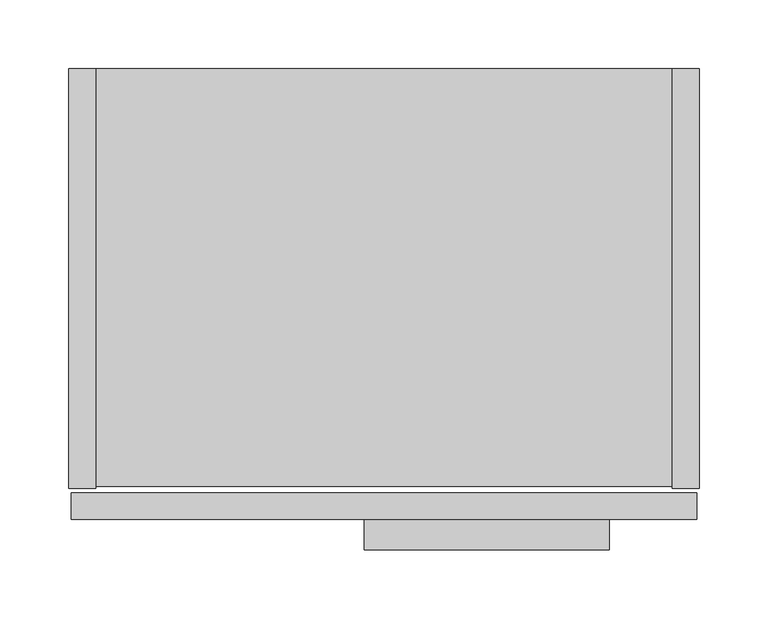
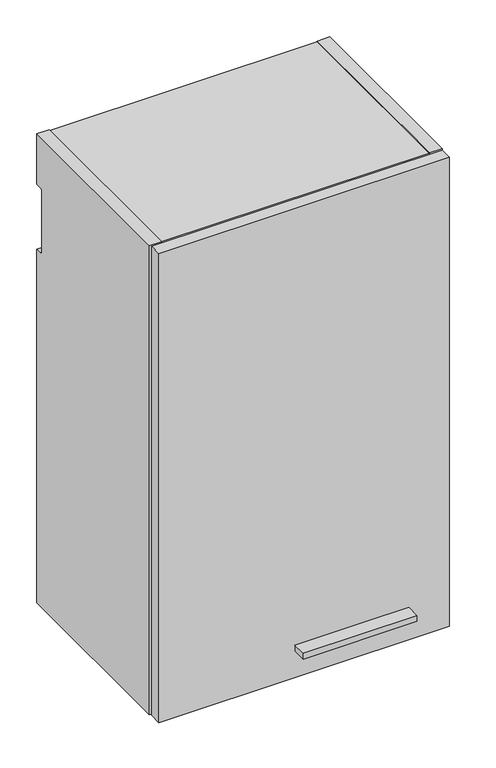
"""IFC4 building model written with IfcOpenShell, lengths in millimetres: furniture geometry."""

from ifc_helpers import new_model, si_unit, point, frame, frame_2d, origin, place, context, project, spatial, polyline, circle_curve, trimmed, segment, composite_curve, outline, extrude, source, transform, mapped, element, save
from ifc_brep_helpers import plane_surface, cylinder_surface, revolved_surface, advanced_brep


def furniture_c66bc719(model_context):
    return source(origin(), model_context, "Body", "SolidModel", [
        advanced_brep(
        [(413.7025, -293.751, 2244.5791484), (410.748813, -293.751, 2244.1909161), (409.8355336, -293.751, 2242.4339969), (409.8053845, -293.751, 2223.3009499), (410.748813, -293.751, 2222.1073808), (413.7025, -293.751, 2221.7191484), (416.656187, -293.751, 2222.1073808), (417.5996155, -293.751, 2223.3009499), (417.5694664, -293.751, 2242.4339969), (416.656187, -293.751, 2244.1909161), (412.9405, -293.751, 2242.5617878), (414.4645, -293.751, 2242.5617878), (414.4645, -293.751, 2239.2712263), (412.9405, -293.751, 2239.2712263), (413.7025, -286.131, 2244.5791484), (413.7025, -286.131, 2221.7191484), (416.656187, -288.3034403, 2244.1909161), (416.656187, -288.3034403, 2222.1073808), (410.748813, -288.3034403, 2222.1073808), (410.748813, -288.3034403, 2244.1909161), (409.8053845, -288.3034403, 2223.3009499), (409.8355336, -288.3034403, 2242.4339969), (417.5996155, -288.3034403, 2223.3009499), (417.5694664, -288.3034403, 2242.4339969), (412.9405, -292.5268699, 2239.2712263), (414.4645, -292.5268699, 2239.2712263), (414.4645, -292.5268699, 2242.5617878), (412.9405, -292.5268699, 2242.5617878)],
        [
            (0, 1, circle_curve(frame((413.7025, -293.751, 2233.1491484), z_axis=(0.0, -1.0, 0.0), x_axis=(0.0, 0.0, -1.0)), 11.43)),
            (1, 2, circle_curve(frame((411.28904, -293.751, 2242.7942665), z_axis=(0.0, -1.0, 0.0), x_axis=(0.0, 0.0, -1.0)), 1.4974896)),
            (2, 3, circle_curve(frame((371.4831576, -293.751, 2232.9278836), z_axis=(0.0, 1.0, 0.0), x_axis=(0.0, 0.0, -1.0)), 39.512921)),
            (3, 4, circle_curve(frame((411.28904, -293.751, 2223.5040303), z_axis=(0.0, -1.0, 0.0), x_axis=(0.0, 0.0, -1.0)), 1.4974896)),
            (4, 5, circle_curve(frame((413.7025, -293.751, 2233.1491484), z_axis=(0.0, -1.0, 0.0), x_axis=(0.0, 0.0, -1.0)), 11.43)),
            (5, 6, circle_curve(frame((413.7025, -293.751, 2233.1491484), z_axis=(0.0, -1.0, 0.0), x_axis=(0.0, 0.0, -1.0)), 11.43)),
            (6, 7, circle_curve(frame((416.11596, -293.751, 2223.5040303), z_axis=(0.0, -1.0, 0.0), x_axis=(0.0, 0.0, -1.0)), 1.4974896)),
            (7, 8, circle_curve(frame((455.9218424, -293.751, 2232.9278836), z_axis=(0.0, 1.0, 0.0), x_axis=(0.0, 0.0, -1.0)), 39.512921)),
            (8, 9, circle_curve(frame((416.11596, -293.751, 2242.7942665), z_axis=(0.0, -1.0, 0.0), x_axis=(0.0, 0.0, -1.0)), 1.4974896)),
            (9, 0, circle_curve(frame((413.7025, -293.751, 2233.1491484), z_axis=(0.0, -1.0, 0.0), x_axis=(0.0, 0.0, -1.0)), 11.43)),
            (10, 11, circle_curve(frame((413.7025, -293.751, 2242.5617878), z_axis=(0.0, 1.0, 0.0), x_axis=(0.0, 0.0, -1.0)), 0.762)),
            (11, 12),
            (12, 13, circle_curve(frame((413.7025, -293.751, 2239.2712263), z_axis=(0.0, 1.0, 0.0), x_axis=(0.0, 0.0, 1.0)), 0.762)),
            (13, 10),
            (14, 15, circle_curve(frame((413.7025, -286.131, 2233.1491484), z_axis=(0.0, 1.0, 0.0), x_axis=(0.0, 0.0, -1.0)), 11.43)),
            (15, 14, circle_curve(frame((413.7025, -286.131, 2233.1491484), z_axis=(0.0, 1.0, 0.0), x_axis=(0.0, 0.0, -1.0)), 11.43)),
            (14, 0),
            (9, 16),
            (16, 17, circle_curve(frame((413.7025, -288.3034403, 2233.1491484), z_axis=(0.0, 1.0, 0.0), x_axis=(0.0, 0.0, -1.0)), 11.43)),
            (17, 6),
            (5, 15),
            (4, 18),
            (18, 19, circle_curve(frame((413.7025, -288.3034403, 2233.1491484), z_axis=(0.0, 1.0, 0.0), x_axis=(0.0, 0.0, -1.0)), 11.43)),
            (19, 1),
            (20, 21, circle_curve(frame((371.4831576, -288.3034403, 2232.9278836), z_axis=(0.0, -1.0, 0.0), x_axis=(0.0, 0.0, -1.0)), 39.512921)),
            (21, 19, circle_curve(frame((411.28904, -288.3034403, 2242.7942665), z_axis=(0.0, 1.0, 0.0), x_axis=(0.0, 0.0, -1.0)), 1.4974896)),
            (18, 20, circle_curve(frame((411.28904, -288.3034403, 2223.5040303), z_axis=(0.0, 1.0, 0.0), x_axis=(0.0, 0.0, -1.0)), 1.4974896)),
            (22, 17, circle_curve(frame((416.11596, -288.3034403, 2223.5040303), z_axis=(0.0, 1.0, 0.0), x_axis=(0.0, 0.0, -1.0)), 1.4974896)),
            (16, 23, circle_curve(frame((416.11596, -288.3034403, 2242.7942665), z_axis=(0.0, 1.0, 0.0), x_axis=(0.0, 0.0, -1.0)), 1.4974896)),
            (23, 22, circle_curve(frame((455.9218424, -288.3034403, 2232.9278836), z_axis=(0.0, -1.0, 0.0), x_axis=(0.0, 0.0, -1.0)), 39.512921)),
            (3, 20),
            (21, 2),
            (23, 8),
            (7, 22),
            (24, 25, circle_curve(frame((413.7025, -292.5268699, 2239.2712263), z_axis=(0.0, -1.0, 0.0), x_axis=(0.0, 0.0, 1.0)), 0.762)),
            (25, 26),
            (26, 27, circle_curve(frame((413.7025, -292.5268699, 2242.5617878), z_axis=(0.0, -1.0, 0.0), x_axis=(0.0, 0.0, -1.0)), 0.762)),
            (27, 24),
            (27, 10),
            (13, 24),
            (26, 11),
            (25, 12),
        ],
        [
            plane_surface(frame((413.7025, -293.751, 2221.7191484), z_axis=(0.0, -1.0, 0.0), x_axis=(-1.0, 0.0, 0.0))),
            plane_surface(frame((413.7025, -286.131, 2221.7191484), z_axis=(0.0, 1.0, 0.0), x_axis=(1.0, 0.0, 0.0))),
            cylinder_surface(frame((413.7025, -286.131, 2233.1491484), z_axis=(0.0, -1.0, 0.0), x_axis=(0.0, 0.0, -1.0)), 11.43),
            plane_surface(frame((411.28904, -288.3034403, 2222.0065407), z_axis=(0.0, -1.0, 0.0), x_axis=(-1.0, 0.0, 0.0))),
            cylinder_surface(frame((411.28904, -288.3034403, 2223.5040303), z_axis=(0.0, 1.0, 0.0), x_axis=(0.0, 0.0, -1.0)), 1.4974896),
            cylinder_surface(frame((411.28904, -288.3034403, 2242.7942665), z_axis=(0.0, 1.0, 0.0), x_axis=(0.0, 0.0, -1.0)), 1.4974896),
            revolved_surface(polyline([(371.4831576, -293.751, 2193.4149626), (371.4831576, -288.3034403, 2193.4149626)]), (371.4831576, -288.3034403, 2232.9278836), (0.0, -1.0, 0.0)),
            revolved_surface(polyline([(455.9218424, -293.751, 2193.4149626), (455.9218424, -288.3034403, 2193.4149626)]), (455.9218424, -276.225, 2232.9278836), (0.0, -1.0, 0.0)),
            cylinder_surface(frame((416.11596, -276.225, 2242.7942665), z_axis=(0.0, 1.0, 0.0), x_axis=(0.0, 0.0, -1.0)), 1.4974896),
            cylinder_surface(frame((416.11596, -276.225, 2223.5040303), z_axis=(0.0, 1.0, 0.0), x_axis=(0.0, 0.0, -1.0)), 1.4974896),
            plane_surface(frame((412.9405, -292.5268699, 2318.3554451), z_axis=(0.0, -1.0, 0.0), x_axis=(0.0, 0.0, -1.0))),
            plane_surface(frame((412.9405, -293.751, 2239.2712263), z_axis=(1.0, 0.0, 0.0), x_axis=(0.0, 1.0, 0.0))),
            revolved_surface(polyline([(413.7025, -293.751, 2241.7997877999996), (413.7025, -292.5268699, 2241.7997877999996)]), (413.7025, -292.5268699, 2242.5617878), (0.0, -1.0, 0.0)),
            plane_surface(frame((414.4645, -293.751, 2242.5617878), z_axis=(-1.0, 0.0, 0.0), x_axis=(0.0, 1.0, 0.0))),
            revolved_surface(polyline([(413.7025, -293.751, 2240.0332263), (413.7025, -292.5268699, 2240.0332263)]), (413.7025, -292.5268699, 2239.2712263), (0.0, -1.0, 0.0)),
        ],
        [
            (0, [[1, 2, 3, 4, 5, 6, 7, 8, 9, 10], [11, 12, 13, 14]]),
            (1, [[15, 16]]),
            (2, [[17, -10, 18, 19, 20, -6, 21, -15]]),
            (2, [[-21, -5, 22, 23, 24, -1, -17, -16]]),
            (3, [[25, 26, -23, 27]]),
            (3, [[28, -19, 29, 30]]),
            (4, [[-22, -4, 31, -27]]),
            (5, [[32, -2, -24, -26]]),
            (6, [[-31, -3, -32, -25]]),
            (7, [[33, -8, 34, -30]]),
            (8, [[-18, -9, -33, -29]]),
            (9, [[-34, -7, -20, -28]]),
            (10, [[35, 36, 37, 38]]),
            (11, [[39, -14, 40, -38]]),
            (12, [[41, -11, -39, -37]]),
            (13, [[42, -12, -41, -36]]),
            (14, [[-40, -13, -42, -35]]),
        ],
    ),
        advanced_brep(
        [(401.0025, -286.131, 2313.7061718), (401.0025, -286.131, 2233.0156), (426.4025, -286.131, 2233.0156), (426.4025, -286.131, 2313.7061718), (425.1325, -286.131, 2248.3097734), (422.5925, -286.131, 2245.7697734), (404.8125, -286.131, 2245.7697734), (402.2725, -286.131, 2248.3097734), (402.2725, -286.131, 2304.9253259), (404.8125, -286.131, 2307.4653259), (422.5925, -286.131, 2307.4653259), (425.1325, -286.131, 2304.9253259), (401.0025, -276.225, 2313.7061718), (426.4025, -276.225, 2313.7061718), (426.4025, -276.225, 2233.0156), (401.0025, -276.225, 2233.0156), (422.5925, -284.6242162, 2307.4653259), (404.8125, -284.6242162, 2307.4653259), (402.2725, -284.6242162, 2304.9253259), (402.2725, -284.6242162, 2248.3097734), (404.8125, -284.6242162, 2245.7697734), (422.5925, -284.6242162, 2245.7697734), (425.1325, -284.6242162, 2248.3097734), (425.1325, -284.6242162, 2304.9253259)],
        [
            (0, 1),
            (1, 2, circle_curve(frame((413.7025, -286.131, 2233.0156), z_axis=(0.0, -1.0, 0.0), x_axis=(0.0, 0.0, -1.0)), 12.7)),
            (2, 3),
            (3, 0, circle_curve(frame((413.7025, -286.131, 2298.685087), z_axis=(0.0, -1.0, 0.0), x_axis=(0.0, 0.0, -1.0)), 19.6703582)),
            (4, 5, circle_curve(frame((422.5925, -286.131, 2248.3097734), z_axis=(0.0, 1.0, 0.0), x_axis=(0.0, 0.0, -1.0)), 2.54)),
            (5, 6),
            (6, 7, circle_curve(frame((404.8125, -286.131, 2248.3097734), z_axis=(0.0, 1.0, 0.0), x_axis=(0.0, 0.0, -1.0)), 2.54)),
            (7, 8),
            (8, 9, circle_curve(frame((404.8125, -286.131, 2304.9253259), z_axis=(0.0, 1.0, 0.0), x_axis=(0.0, 0.0, -1.0)), 2.54)),
            (9, 10),
            (10, 11, circle_curve(frame((422.5925, -286.131, 2304.9253259), z_axis=(0.0, 1.0, 0.0), x_axis=(0.0, 0.0, -1.0)), 2.54)),
            (11, 4),
            (12, 13, circle_curve(frame((413.7025, -276.225, 2298.685087), z_axis=(0.0, 1.0, 0.0), x_axis=(0.0, 0.0, -1.0)), 19.6703582)),
            (13, 14),
            (14, 15, circle_curve(frame((413.7025, -276.225, 2233.0156), z_axis=(0.0, 1.0, 0.0), x_axis=(0.0, 0.0, -1.0)), 12.7)),
            (15, 12),
            (2, 14),
            (13, 3),
            (0, 12),
            (15, 1),
            (16, 17),
            (17, 18, circle_curve(frame((404.8125, -284.6242162, 2304.9253259), z_axis=(0.0, -1.0, 0.0), x_axis=(0.0, 0.0, -1.0)), 2.54)),
            (18, 19),
            (19, 20, circle_curve(frame((404.8125, -284.6242162, 2248.3097734), z_axis=(0.0, -1.0, 0.0), x_axis=(0.0, 0.0, -1.0)), 2.54)),
            (20, 21),
            (21, 22, circle_curve(frame((422.5925, -284.6242162, 2248.3097734), z_axis=(0.0, -1.0, 0.0), x_axis=(0.0, 0.0, -1.0)), 2.54)),
            (22, 23),
            (23, 16, circle_curve(frame((422.5925, -284.6242162, 2304.9253259), z_axis=(0.0, -1.0, 0.0), x_axis=(0.0, 0.0, -1.0)), 2.54)),
            (22, 4),
            (11, 23),
            (20, 6),
            (5, 21),
            (18, 8),
            (7, 19),
            (16, 10),
            (9, 17),
        ],
        [
            plane_surface(frame((413.7025, -286.131, 2279.0147288), z_axis=(0.0, -1.0, 0.0), x_axis=(-1.0, 0.0, 0.0))),
            plane_surface(frame((413.7025, -276.225, 2279.0147288), z_axis=(0.0, 1.0, 0.0), x_axis=(1.0, 0.0, 0.0))),
            plane_surface(frame((426.4025, -286.131, 2313.7061718), z_axis=(1.0, 0.0, 0.0), x_axis=(0.0, 1.0, 0.0))),
            plane_surface(frame((401.0025, -286.131, 2233.0156), z_axis=(-1.0, 0.0, 2.7958673908800244e-12), x_axis=(0.0, 1.0, 0.0))),
            plane_surface(frame((422.5925, -284.6242162, 2302.3853259), z_axis=(0.0, -1.0, 0.0), x_axis=(1.0, 0.0, 0.0))),
            cylinder_surface(frame((413.7025, -276.225, 2233.0156), z_axis=(0.0, -1.0, 0.0), x_axis=(0.0, 0.0, -1.0)), 12.7),
            plane_surface(frame((425.1325, -292.5268699, 2304.9253259), z_axis=(-1.0, 0.0, -3.0438306120267246e-12), x_axis=(0.0, 1.0, 0.0))),
            plane_surface(frame((422.5925, -292.5268699, 2245.7697734), z_axis=(0.0, 0.0, 1.0), x_axis=(0.0, 1.0, 0.0))),
            plane_surface(frame((402.2725, -292.5268699, 2248.3097734), z_axis=(1.0, 0.0, 0.0), x_axis=(0.0, 1.0, 0.0))),
            plane_surface(frame((404.8125, -292.5268699, 2307.4653259), z_axis=(0.0, 0.0, -1.0), x_axis=(0.0, 1.0, 0.0))),
            revolved_surface(polyline([(422.5925, -286.131, 2302.3853259), (422.5925, -284.6242162, 2302.3853259)]), (422.5925, -284.6242162, 2304.9253259), (0.0, -1.0, 0.0)),
            revolved_surface(polyline([(422.5925, -286.131, 2245.7697734), (422.5925, -284.6242162, 2245.7697734)]), (422.5925, -284.6242162, 2248.3097734), (0.0, -1.0, 0.0)),
            revolved_surface(polyline([(404.8125, -286.131, 2245.7697734), (404.8125, -284.6242162, 2245.7697734)]), (404.8125, -284.6242162, 2248.3097734), (0.0, -1.0, 0.0)),
            revolved_surface(polyline([(404.8125, -286.131, 2302.3853259), (404.8125, -284.6242162, 2302.3853259)]), (404.8125, -284.6242162, 2304.9253259), (0.0, -1.0, 0.0)),
            cylinder_surface(frame((413.7025, -276.225, 2298.685087), z_axis=(0.0, -1.0, 0.0), x_axis=(0.0, 0.0, -1.0)), 19.6703582),
        ],
        [
            (0, [[1, 2, 3, 4], [5, 6, 7, 8, 9, 10, 11, 12]]),
            (1, [[13, 14, 15, 16]]),
            (2, [[17, -14, 18, -3]]),
            (3, [[19, -16, 20, -1]]),
            (4, [[21, 22, 23, 24, 25, 26, 27, 28]]),
            (5, [[-20, -15, -17, -2]]),
            (6, [[29, -12, 30, -27]]),
            (7, [[31, -6, 32, -25]]),
            (8, [[33, -8, 34, -23]]),
            (9, [[35, -10, 36, -21]]),
            (10, [[-30, -11, -35, -28]]),
            (11, [[-32, -5, -29, -26]]),
            (12, [[-34, -7, -31, -24]]),
            (13, [[-36, -9, -33, -22]]),
            (14, [[-18, -13, -19, -4]]),
        ],
    ),
        extrude(outline(polyline([(392.1125, -349.25), (214.3125, -349.25), (214.3125, -327.025), (392.1125, -327.025), (392.1125, -349.25)])), frame((0.0, 0.0, 2228.2531), z_axis=(0.0, 0.0, 1.0), x_axis=(1.0, 0.0, 0.0)), (0.0, 0.0, 1.0), 9.525),
        extrude(outline(composite_curve([segment(polyline([(-304.546, 2184.4), (-304.546, 2959.1), (0.0, 2959.1), (0.0, 2876.042), (-9.5254487, 2876.042)]), True, "CONTINUOUS"), segment(trimmed(circle_curve(frame_2d((-9.5254487, 2872.8674487)), 3.1745513), [point((-9.5254487, 2876.042))], [point((-12.7, 2872.8674487))], True, "CARTESIAN"), True, "CONTINUOUS"), segment(polyline([(-12.7, 2872.8674487), (-12.7, 2771.267)]), True, "CONTINUOUS"), segment(trimmed(circle_curve(frame_2d((-9.525, 2771.267)), 3.175), [point((-12.7, 2771.267))], [point((-9.525, 2768.092))], True, "CARTESIAN"), True, "CONTINUOUS"), segment(polyline([(-9.525, 2768.092), (0.0, 2768.092), (0.0, 2184.4), (-304.546, 2184.4)]), True, "CONTINUOUS")], self_intersect=False)), frame((437.896, 0.0, 0.0), z_axis=(1.0, 0.0, 0.0), x_axis=(0.0, 1.0, 0.0)), (0.0, 0.0, 1.0), 19.304),
        extrude(outline(polyline([(437.896, -303.022), (19.304, -303.022), (19.304, -12.7), (437.896, -12.7), (437.896, -303.022)])), frame((0.0, 0.0, 2185.924), z_axis=(0.0, 0.0, 1.0), x_axis=(1.0, 0.0, 0.0)), (0.0, 0.0, 1.0), 19.304),
        extrude(outline(polyline([(437.896, -12.7), (437.896, -32.004), (19.304, -32.004), (19.304, -12.7), (437.896, -12.7)])), frame((0.0, 0.0, 2205.228), z_axis=(0.0, 0.0, 1.0), x_axis=(1.0, 0.0, 0.0)), (0.0, 0.0, 1.0), 734.568),
        extrude(outline(composite_curve([segment(polyline([(-304.546, 2184.4), (-304.546, 2959.1), (0.0, 2959.1), (0.0, 2876.042), (-9.5254487, 2876.042)]), True, "CONTINUOUS"), segment(trimmed(circle_curve(frame_2d((-9.5254487, 2872.8674487)), 3.1745513), [point((-9.5254487, 2876.042))], [point((-12.7, 2872.8674487))], True, "CARTESIAN"), True, "CONTINUOUS"), segment(polyline([(-12.7, 2872.8674487), (-12.7, 2771.267)]), True, "CONTINUOUS"), segment(trimmed(circle_curve(frame_2d((-9.525, 2771.267)), 3.175), [point((-12.7, 2771.267))], [point((-9.525, 2768.092))], True, "CARTESIAN"), True, "CONTINUOUS"), segment(polyline([(-9.525, 2768.092), (0.0, 2768.092), (0.0, 2184.4), (-304.546, 2184.4)]), True, "CONTINUOUS")], self_intersect=False)), frame((0.0, 0.0, 0.0), z_axis=(1.0, 0.0, 0.0), x_axis=(0.0, 1.0, 0.0)), (0.0, 0.0, 1.0), 19.304),
        extrude(outline(polyline([(437.896, -303.022), (19.304, -303.022), (19.304, 0.0), (437.896, 0.0), (437.896, -303.022)])), frame((0.0, 0.0, 2939.796), z_axis=(0.0, 0.0, 1.0), x_axis=(1.0, 0.0, 0.0)), (0.0, 0.0, 1.0), 17.78),
        extrude(outline(polyline([(455.6125, -327.025), (1.5875, -327.025), (1.5875, -307.721), (455.6125, -307.721), (455.6125, -327.025)])), frame((0.0, 0.0, 2184.4), z_axis=(0.0, 0.0, 1.0), x_axis=(1.0, 0.0, 0.0)), (0.0, 0.0, 1.0), 774.7),
    ])


if __name__ == "__main__":
    model = new_model("IFC4")
    model_context = context("Model", 3, world=origin())
    ifc_project = project(units=[si_unit("LENGTHUNIT", "METRE", prefix="MILLI")], contexts=[model_context])
    site = spatial("IfcSite", under=ifc_project)
    building = spatial("IfcBuilding", under=site)
    placement = place(None, origin())
    furniture_shape = furniture_c66bc719(model_context)
    element("IfcFurniture", 1, at=placement, inside=building, context=model_context, shape_type="MappedRepresentation", body=[
        mapped(furniture_shape, transform((0.0, 0.0, 0.0), x_axis=(1.0, 0.0, 0.0), y_axis=(0.0, 1.0, 0.0), z_axis=(0.0, 0.0, 1.0))),
    ])
    save(model, "model.ifc")
